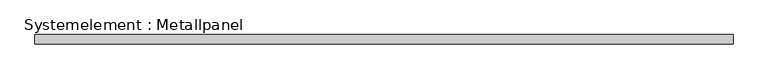
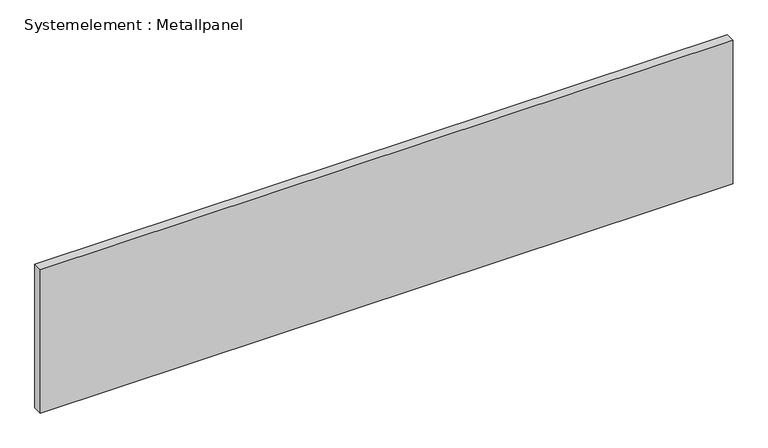
"""IFC4 building model written with IfcOpenShell, lengths in millimetres: plate geometry, Systemelement : Metallpanel."""

from ifc_helpers import new_model, si_unit, origin, origin_with_axes, place, context, project, spatial, polyline, outline, extrude, source, transform, mapped, element, save


def systemelement_metallpanel_f686d760(model_context):
    return source(origin(), model_context, "Body", "SweptSolid", [
        extrude(outline(polyline([(1119.9678258, -15.0), (-1119.9678258, -15.0), (-1119.9678258, 15.0), (1119.9678258, 15.0), (1119.9678258, -15.0)])), origin_with_axes(), (0.0, 0.0, 1.0), 490.0),
    ])


if __name__ == "__main__":
    model = new_model("IFC4")
    model_context = context("Model", 3, world=origin())
    ifc_project = project(units=[si_unit("LENGTHUNIT", "METRE", prefix="MILLI")], contexts=[model_context])
    site = spatial("IfcSite", under=ifc_project)
    building = spatial("IfcBuilding", under=site)
    placement = place(None, origin())
    systemelement_metallpanel_shape = systemelement_metallpanel_f686d760(model_context)
    element("IfcPlate", 1, ObjectType="Systemelement : Metallpanel", at=placement, inside=building, context=model_context, shape_type="MappedRepresentation", body=[
        mapped(systemelement_metallpanel_shape, transform((0.0, 0.0, 0.0), x_axis=(1.0, 0.0, 0.0), y_axis=(0.0, 1.0, 0.0), z_axis=(0.0, 0.0, 1.0))),
    ])
    save(model, "model.ifc")
